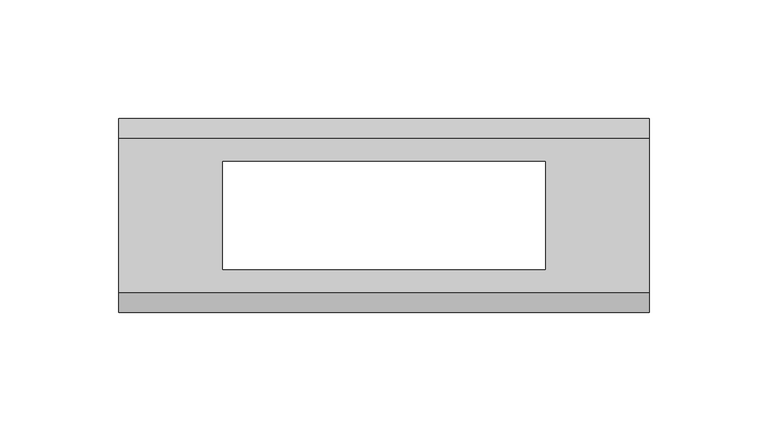
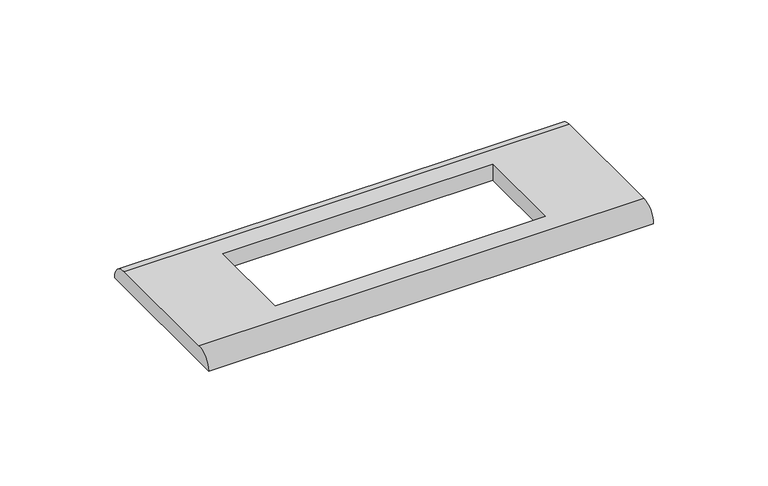
"""IFC4 building model written with IfcOpenShell, lengths in millimetres: proxy geometry."""

from ifc_helpers import new_model, si_unit, frame, origin, place, context, project, spatial, circle_curve, source, transform, mapped, element, save
from ifc_brep_helpers import plane_surface, cylinder_surface, advanced_brep


def electrical_fixtures_ae5f2de7(model_context):
    return source(origin(), model_context, "Body", "AdvancedBrep", [
        advanced_brep(
        [(112.0, 32.5, 8.5), (-112.0, 32.5, 8.5), (-112.0, -32.5, 8.5), (112.0, -32.5, 8.5), (-68.0, 22.75, 8.5), (68.0, 22.75, 8.5), (68.0, -22.75, 8.5), (-68.0, -22.75, 8.5), (112.0, 41.0, 0.0), (112.0, -41.0, 0.0), (-112.0, -41.0, 0.0), (-112.0, 41.0, 0.0), (68.0, 22.75, 0.0), (-68.0, 22.75, 0.0), (-68.0, -22.75, 0.0), (68.0, -22.75, 0.0)],
        [
            (0, 1),
            (1, 2),
            (2, 3),
            (3, 0),
            (4, 5),
            (5, 6),
            (6, 7),
            (7, 4),
            (8, 9),
            (9, 10),
            (10, 11),
            (11, 8),
            (12, 13),
            (13, 14),
            (14, 15),
            (15, 12),
            (10, 2, circle_curve(frame((-112.0, -32.5, 0.0), z_axis=(-1.0, 0.0, 0.0), x_axis=(0.0, 1.0, 0.0)), 8.5)),
            (1, 11, circle_curve(frame((-112.0, 32.5, 0.0), z_axis=(-1.0, 0.0, 0.0), x_axis=(0.0, -1.0, 0.0)), 8.5)),
            (8, 0, circle_curve(frame((112.0, 32.5, 0.0), z_axis=(1.0, 0.0, 0.0), x_axis=(0.0, -1.0, 0.0)), 8.5)),
            (3, 9, circle_curve(frame((112.0, -32.5, 0.0), z_axis=(1.0, 0.0, 0.0), x_axis=(0.0, 1.0, 0.0)), 8.5)),
            (4, 13),
            (12, 5),
            (7, 14),
            (6, 15),
        ],
        [
            plane_surface(frame((-112.0, 41.0, 8.5), z_axis=(0.0, 0.0, 1.0), x_axis=(0.0, -1.0, 0.0))),
            plane_surface(frame((-112.0, 41.0, 0.0), z_axis=(0.0, 0.0, -1.0), x_axis=(0.0, 1.0, 0.0))),
            plane_surface(frame((-112.0, 41.0, 8.5), z_axis=(-1.0, 0.0, 0.0), x_axis=(0.0, 0.0, -1.0))),
            plane_surface(frame((112.0, -41.0, 8.5), z_axis=(1.0, 0.0, 0.0), x_axis=(0.0, 0.0, -1.0))),
            plane_surface(frame((68.0, 22.75, 8.5), z_axis=(0.0, -1.0, 0.0), x_axis=(0.0, 0.0, -1.0))),
            plane_surface(frame((-68.0, 22.75, 8.5), z_axis=(1.0, 0.0, 0.0), x_axis=(0.0, 0.0, -1.0))),
            plane_surface(frame((-68.0, -22.75, 8.5), z_axis=(0.0, 1.0, 0.0), x_axis=(0.0, 0.0, -1.0))),
            plane_surface(frame((68.0, -22.75, 8.5), z_axis=(-1.0, 0.0, 0.0), x_axis=(0.0, 0.0, -1.0))),
            cylinder_surface(frame((112.0, 32.5, 0.0), z_axis=(-1.0, 0.0, 0.0), x_axis=(0.0, -1.0, 0.0)), 8.5),
            cylinder_surface(frame((112.0, -32.5, 0.0), z_axis=(-1.0, 0.0, 0.0), x_axis=(0.0, 1.0, 0.0)), 8.5),
        ],
        [
            (0, [[1, 2, 3, 4], [5, 6, 7, 8]]),
            (1, [[9, 10, 11, 12], [13, 14, 15, 16]]),
            (2, [[-11, 17, -2, 18]]),
            (3, [[-9, 19, -4, 20]]),
            (4, [[21, -13, 22, -5]]),
            (5, [[-21, -8, 23, -14]]),
            (6, [[-23, -7, 24, -15]]),
            (7, [[-22, -16, -24, -6]]),
            (8, [[-1, -19, -12, -18]]),
            (9, [[-3, -17, -10, -20]]),
        ],
    ),
    ])


if __name__ == "__main__":
    model = new_model("IFC4")
    model_context = context("Model", 3, world=origin())
    ifc_project = project(units=[si_unit("LENGTHUNIT", "METRE", prefix="MILLI")], contexts=[model_context])
    site = spatial("IfcSite", under=ifc_project)
    building = spatial("IfcBuilding", under=site)
    placement = place(None, origin())
    electrical_fixtures_shape = electrical_fixtures_ae5f2de7(model_context)
    element("IfcBuildingElementProxy", 1, Name="Electrical Fixtures", at=placement, inside=building, context=model_context, shape_type="MappedRepresentation", body=[
        mapped(electrical_fixtures_shape, transform((0.0, 0.0, 0.0), x_axis=(1.0, 0.0, 0.0), y_axis=(0.0, 1.0, 0.0), z_axis=(0.0, 0.0, 1.0))),
    ])
    save(model, "model.ifc")
